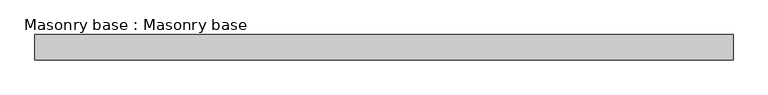
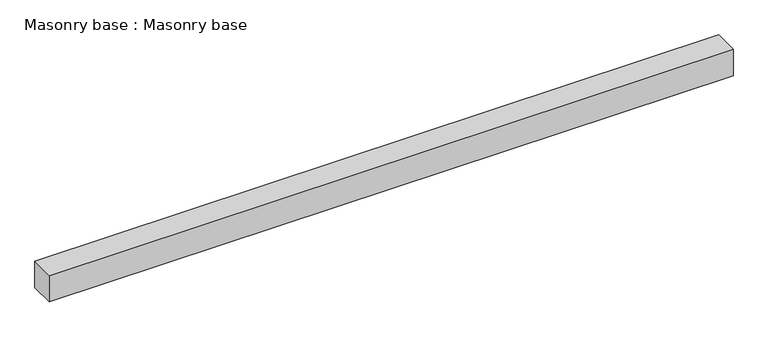
"""IFC4 building model written with IfcOpenShell, lengths in millimetres: proxy geometry, Masonry base : Masonry base."""

from ifc_helpers import new_model, si_unit, origin, origin_with_axes, place, context, project, spatial, polyline, outline, extrude, source, transform, mapped, element, save


def masonry_base_masonry_base_98be127f(model_context):
    return source(origin(), model_context, "Body", "SweptSolid", [
        extrude(outline(polyline([(-1098.5822244, 7186.1949136), (-1098.5822244, 6866.1949136), (-9908.1518962, 6866.1949136), (-9908.1518962, 7186.1949136), (-1098.5822244, 7186.1949136)])), origin_with_axes(), (0.0, 0.0, 1.0), 359.0),
    ])


if __name__ == "__main__":
    model = new_model("IFC4")
    model_context = context("Model", 3, world=origin())
    ifc_project = project(units=[si_unit("LENGTHUNIT", "METRE", prefix="MILLI")], contexts=[model_context])
    site = spatial("IfcSite", under=ifc_project)
    building = spatial("IfcBuilding", under=site)
    placement = place(None, origin())
    masonry_base_masonry_base_shape = masonry_base_masonry_base_98be127f(model_context)
    element("IfcBuildingElementProxy", 1, Name="Masonry base : Masonry base", ObjectType="Masonry base : Masonry base", at=placement, inside=building, context=model_context, shape_type="MappedRepresentation", body=[
        mapped(masonry_base_masonry_base_shape, transform((0.0, 0.0, 0.0), x_axis=(1.0, 0.0, 0.0), y_axis=(0.0, 1.0, 0.0), z_axis=(0.0, 0.0, 1.0))),
    ])
    save(model, "model.ifc")
